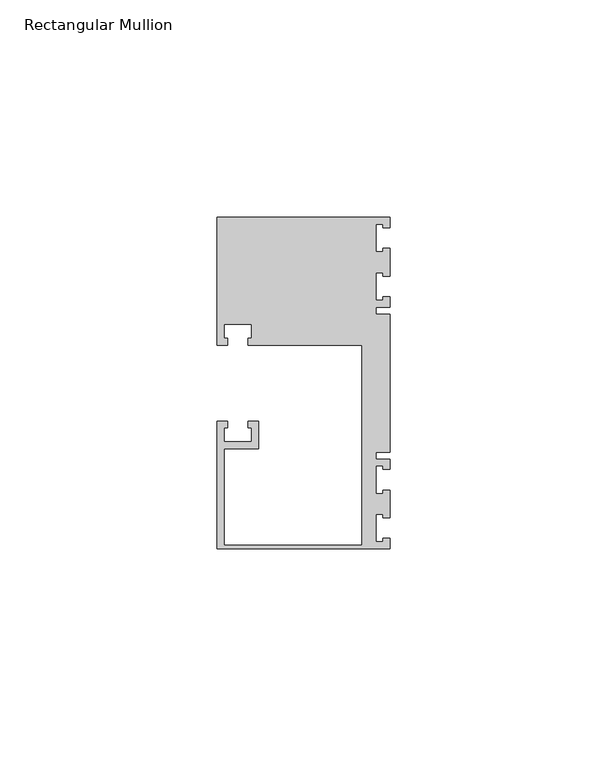
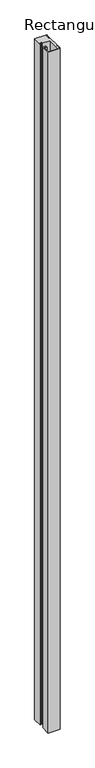
"""IFC4 building model written with IfcOpenShell, lengths in millimetres: member geometry, Rectangular Mullion."""

import ifcopenshell
import ifcopenshell.guid

model = None  # the IFC model being written
_history = None  # IfcOwnerHistory: only IFC2X3 demands one
_inside = {}  # id of a spatial element -> (the spatial element, [elements in it])
_under = {}  # id of a project, library or spatial element -> (it, [spatial elements below it])
_declared = {}  # id of a project -> (the project, [libraries it declares])
_typed = {}  # id of a type object -> (the type object, [elements of that type])
_made_of = {}  # id of a material, layer set ... -> (it, [elements and type objects made of it])


def new_model(schema):
    """Start an empty IFC model of exactly this schema.

    Asked for "IFC4X3", IfcOpenShell would pick the latest addendum, in which some entities
    have other attributes; the version numbers below select the first issue.
    IFC2X3 requires an IfcOwnerHistory on every rooted entity: one is made here for all.
    """
    global model, _history
    if schema == "IFC4X3":
        model = ifcopenshell.file(schema_version=(4, 3, 0, 0))
    else:
        model = ifcopenshell.file(schema=schema)
    _inside.clear()
    _under.clear()
    _declared.clear()
    _typed.clear()
    _made_of.clear()
    _history = None
    if model.schema == "IFC2X3":
        org = make("IfcOrganization", Name="unknown")
        user = make(
            "IfcPersonAndOrganization",
            ThePerson=make("IfcPerson", FamilyName="unknown"),
            TheOrganization=org,
        )
        app = make(
            "IfcApplication",
            ApplicationDeveloper=org,
            Version="unknown",
            ApplicationFullName="unknown",
            ApplicationIdentifier="unknown",
        )
        _history = make(
            "IfcOwnerHistory",
            OwningUser=user,
            OwningApplication=app,
            ChangeAction="ADDED",
            CreationDate=0,
        )
    return model


def make(cls, **values):
    """One entity of the class cls with the attributes given. An attribute that is None is left unset."""
    return model.create_entity(
        cls, **{name: value for name, value in values.items() if value is not None}
    )


def rooted(cls, **values):
    """An entity with a GlobalId (a new one), such as an element, a storey or a relation."""
    return make(cls, GlobalId=ifcopenshell.guid.new(), OwnerHistory=_history, **values)


def si_unit(unit_type, name, prefix=None):
    """IfcSIUnit, for example si_unit("LENGTHUNIT", "METRE", prefix="MILLI")."""
    return make("IfcSIUnit", UnitType=unit_type, Prefix=prefix, Name=name)


def assignment(units):
    """IfcUnitAssignment: the units of a project."""
    return None if units is None else make("IfcUnitAssignment", Units=units)


def point(xyz):
    """IfcCartesianPoint."""
    return None if xyz is None else make("IfcCartesianPoint", Coordinates=xyz)


def direction(xyz):
    """IfcDirection."""
    return None if xyz is None else make("IfcDirection", DirectionRatios=xyz)


def frame(location, z_axis=None, x_axis=None):
    """IfcAxis2Placement3D, a coordinate frame: its origin and axes. An axis left out is left unset."""
    return make(
        "IfcAxis2Placement3D",
        Location=point(location),
        Axis=direction(z_axis),
        RefDirection=direction(x_axis),
    )


def origin():
    """The frame at (0, 0, 0) with its axes left unset."""
    return frame((0.0, 0.0, 0.0))


def place(relative_to, where):
    """IfcLocalPlacement: puts the frame where relative to a parent placement (None: the world)."""
    return make(
        "IfcLocalPlacement", PlacementRelTo=relative_to, RelativePlacement=where
    )


def context(
    kind, dimensions, precision=None, world=None, true_north=None, identifier=None
):
    """IfcGeometricRepresentationContext, for example the 3D "Model" context."""
    return make(
        "IfcGeometricRepresentationContext",
        ContextIdentifier=identifier,
        ContextType=kind,
        CoordinateSpaceDimension=dimensions,
        Precision=precision,
        WorldCoordinateSystem=world,
        TrueNorth=true_north,
    )


def project(units=None, contexts=None):
    """IfcProject with its units and contexts."""
    return rooted(
        "IfcProject",
        Name="project",
        RepresentationContexts=contexts,
        UnitsInContext=assignment(units),
    )


def spatial(cls, under=None, at=None, **own):
    """A site, building, storey or space (cls), placed at a placement, below another one or the project."""
    s = rooted(cls, ObjectPlacement=at, **own)
    if under is not None:
        _under.setdefault(under.id(), (under, []))[1].append(s)
    return s


def polyline(points):
    """IfcPolyline through the points."""
    return make("IfcPolyline", Points=[point(p) for p in points])


def outline(outer, holes=None, kind="AREA"):
    """IfcArbitraryClosedProfileDef: a profile drawn as a closed curve; with holes, ...WithVoids."""
    if holes is None:
        return make("IfcArbitraryClosedProfileDef", ProfileType=kind, OuterCurve=outer)
    return make(
        "IfcArbitraryProfileDefWithVoids",
        ProfileType=kind,
        OuterCurve=outer,
        InnerCurves=holes,
    )


def extrude(swept, where, along, depth):
    """IfcExtrudedAreaSolid: the profile swept, set in the frame where, extruded along a direction by depth."""
    return make(
        "IfcExtrudedAreaSolid",
        SweptArea=swept,
        Position=where,
        ExtrudedDirection=direction(along),
        Depth=depth,
    )


def shape(context_of_items, identifier, shape_type, items):
    """IfcShapeRepresentation: the items that make up one representation, for example the "Body"."""
    return make(
        "IfcShapeRepresentation",
        ContextOfItems=context_of_items,
        RepresentationIdentifier=identifier,
        RepresentationType=shape_type,
        Items=items,
    )


def source(mapping_origin, context_of_items, identifier, shape_type, items):
    """IfcRepresentationMap: a shape defined once, which mapped items show again and again."""
    return make(
        "IfcRepresentationMap",
        MappingOrigin=mapping_origin,
        MappedRepresentation=shape(context_of_items, identifier, shape_type, items),
    )


def transform(
    local_origin,
    x_axis=None,
    y_axis=None,
    z_axis=None,
    scale=None,
    scale2=None,
    scale3=None,
    uniform=True,
):
    """IfcCartesianTransformationOperator3D, or its non-uniform kind. x_axis, y_axis, z_axis: its Axis1, 2, 3."""
    if uniform:
        return make(
            "IfcCartesianTransformationOperator3D",
            Axis1=direction(x_axis),
            Axis2=direction(y_axis),
            LocalOrigin=point(local_origin),
            Scale=scale,
            Axis3=direction(z_axis),
        )
    return make(
        "IfcCartesianTransformationOperator3DnonUniform",
        Axis1=direction(x_axis),
        Axis2=direction(y_axis),
        LocalOrigin=point(local_origin),
        Scale=scale,
        Axis3=direction(z_axis),
        Scale2=scale2,
        Scale3=scale3,
    )


def mapped(mapping_source, mapping_target):
    """IfcMappedItem: shows the shape of a source again, moved by a transform."""
    return make(
        "IfcMappedItem", MappingSource=mapping_source, MappingTarget=mapping_target
    )


def made_of(thing, what):
    """Note that an element or type object is made of a material, layer set ...; save() writes the relation."""
    if what is not None:
        _made_of.setdefault(what.id(), (what, []))[1].append(thing)
    return thing


def element(
    cls,
    number,
    at=None,
    inside=None,
    cuts=None,
    type_object=None,
    material=None,
    context=None,
    identifier="Body",
    shape_type=None,
    held_by="IfcProductDefinitionShape",
    body=None,
    shapes=None,
    **own,
):
    """One element of the class cls, such as IfcWall. Its Tag is "e" and its number.

    at: its placement. inside: the storey or other place that contains it. cuts: it is an
    opening in that element (IfcRelVoidsElement). A single representation is given by context,
    identifier, shape_type and body (its items); several are given by shapes. held_by: the class
    of the entity that holds the representations. save() writes the other relations.
    """
    e = rooted(cls, Tag="e%d" % number, ObjectPlacement=at, **own)
    if body is not None:
        shapes = [shape(context, identifier, shape_type, body)]
    if shapes is not None:
        e.Representation = make(held_by, Representations=shapes)
    if inside is not None:
        _inside.setdefault(inside.id(), (inside, []))[1].append(e)
    if cuts is not None:
        rooted(
            "IfcRelVoidsElement", RelatingBuildingElement=cuts, RelatedOpeningElement=e
        )
    if type_object is not None:
        _typed.setdefault(type_object.id(), (type_object, []))[1].append(e)
    return made_of(e, material)


def aggregate(whole, parts):
    """IfcRelAggregates: a whole, such as a stair, and the parts it consists of."""
    return rooted("IfcRelAggregates", RelatingObject=whole, RelatedObjects=parts)


def save(model, path):
    """Write the relations noted so far, then the file.

    IfcRelAggregates (storeys below a building ...), IfcRelContainedInSpatialStructure (elements
    in a storey), IfcRelDefinesByType, IfcRelAssociatesMaterial and IfcRelDeclares: one each for
    every whole, place, type object, material and project.
    """
    for whole, parts in _under.values():
        aggregate(whole, parts)
    for where, things in _inside.values():
        rooted(
            "IfcRelContainedInSpatialStructure",
            RelatedElements=things,
            RelatingStructure=where,
        )
    for kind, things in _typed.values():
        rooted("IfcRelDefinesByType", RelatedObjects=things, RelatingType=kind)
    for what, things in _made_of.values():
        rooted("IfcRelAssociatesMaterial", RelatedObjects=things, RelatingMaterial=what)
    for by, libraries in _declared.values():
        rooted("IfcRelDeclares", RelatingContext=by, RelatedDefinitions=libraries)
    model.write(path)


def rectangular_mullion_59f5b7db(model_context):
    return source(origin(), model_context, "Body", "SweptSolid", [
        extrude(outline(polyline([(0.0, -38.1), (-39.6875, -38.1), (-39.6875, -8.73125), (-37.30625, -8.73125), (-37.30625, -10.31875), (-38.1, -10.31875), (-38.1, -13.49375), (-31.75, -13.49375), (-31.75, -10.31875), (-32.54375, -10.31875), (-32.54375, -8.73125), (-30.1625, -8.73125), (-30.1625, -15.08125), (-38.1, -15.08125), (-38.1, -37.30625), (-6.35, -37.30625), (-6.35, 8.73125), (-32.54375, 8.73125), (-32.54375, 10.31875), (-31.75, 10.31875), (-31.75, 13.49375), (-38.1, 13.49375), (-38.1, 10.31875), (-37.30625, 10.31875), (-37.30625, 8.73125), (-39.6875, 8.73125), (-39.6875, 38.1), (0.0, 38.1), (0.0, 35.71875), (-1.4999946, 35.71875), (-1.4999946, 36.5125), (-3.175, 36.5125), (-3.175, 30.1625), (-1.4999946, 30.1625), (-1.4999946, 30.95625), (0.0, 30.95625), (0.0, 24.60625), (-1.4999946, 24.60625), (-1.4999946, 25.4), (-3.175, 25.4), (-3.175, 19.05), (-1.4999946, 19.05), (-1.4999946, 19.84375), (0.0, 19.84375), (0.0, 17.4625), (-3.175, 17.4625), (-3.175, 15.875), (0.0, 15.875), (0.0, -15.875), (-3.175, -15.875), (-3.175, -17.4625), (0.0, -17.4625), (0.0, -19.84375), (-1.4999946, -19.84375), (-1.4999946, -19.05), (-3.175, -19.05), (-3.175, -25.4), (-1.4999946, -25.4), (-1.4999946, -24.60625), (0.0, -24.60625), (0.0, -30.95625), (-1.4999946, -30.95625), (-1.4999946, -30.1625), (-3.175, -30.1625), (-3.175, -36.5125), (-1.4999946, -36.5125), (-1.4999946, -35.71875), (0.0, -35.71875), (0.0, -38.1)])), frame((0.0, 0.0, -2359.025), z_axis=(0.0, 0.0, 1.0), x_axis=(1.0, 0.0, 0.0)), (0.0, 0.0, 1.0), 2359.025),
    ])


if __name__ == "__main__":
    model = new_model("IFC4")
    model_context = context("Model", 3, world=origin())
    ifc_project = project(units=[si_unit("LENGTHUNIT", "METRE", prefix="MILLI")], contexts=[model_context])
    site = spatial("IfcSite", under=ifc_project)
    building = spatial("IfcBuilding", under=site)
    placement = place(None, origin())
    rectangular_mullion_shape = rectangular_mullion_59f5b7db(model_context)
    element("IfcMember", 1, ObjectType="Rectangular Mullion", at=placement, inside=building, context=model_context, shape_type="MappedRepresentation", body=[
        mapped(rectangular_mullion_shape, transform((0.0, 0.0, 0.0), x_axis=(1.0, 0.0, 0.0), y_axis=(0.0, 1.0, 0.0), z_axis=(0.0, 0.0, 1.0))),
    ])
    save(model, "model.ifc")
